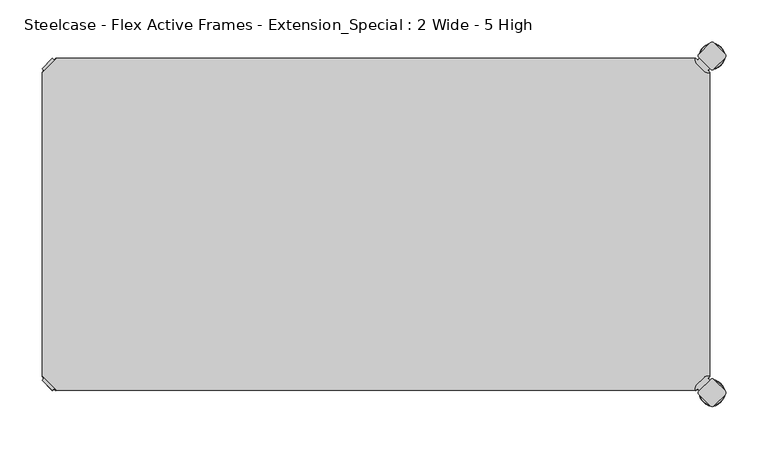
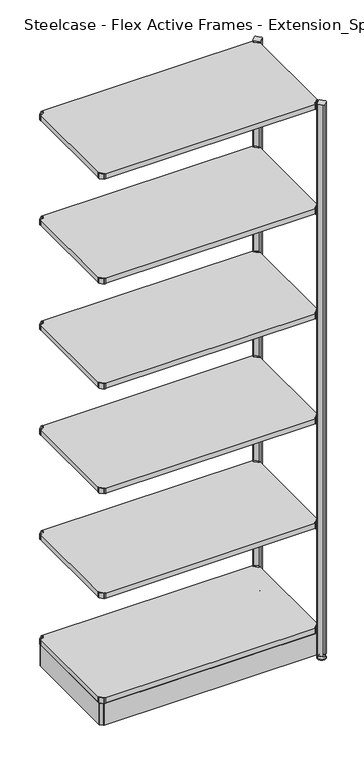
"""IFC4 building model written with IfcOpenShell, lengths in millimetres: furniture geometry, Steelcase - Flex Active Frames - Extension_Special : 2 Wide - 5 High."""

from ifc_helpers import new_model, si_unit, point, frame, frame_2d, origin, place, context, project, spatial, polyline, circle_curve, ellipse_curve, trimmed, segment, composite_curve, outline, extrude, source, transform, mapped, element, save
from ifc_brep_helpers import plane_surface, cylinder_surface, revolved_surface, advanced_brep


def steelcase_flex_active_frames_extension_special_2_wide_5_high_1e81e78f(model_context):
    return source(origin(), model_context, "Body", "SolidModel", [
        advanced_brep(
        [(795.4995166, 396.9286835, 0.0), (781.5507958, 396.9286835, 0.0), (809.4482375, 396.9286835, 0.0), (780.6038882, 396.9286835, 2.116325), (810.3951451, 396.9286835, 2.116325), (786.7561321, 396.9286835, 8.9997406), (804.2429012, 396.9286835, 8.9997406), (788.0986481, 396.9286835, 8.9997406), (802.9003852, 396.9286835, 8.9997406), (788.0986481, 396.9286835, 12.0919909), (802.9003852, 396.9286835, 12.0919909), (788.6066481, 396.9286835, 12.5999909), (802.3923852, 396.9286835, 12.5999909), (791.4801863, 396.9286835, 12.5999909), (799.518847, 396.9286835, 12.5999909), (791.4801863, 396.9286835, 22.7146261), (799.518847, 396.9286835, 22.7146261), (795.4995166, 396.9286835, 22.7146261)],
        [
            (0, 1),
            (1, 2, circle_curve(frame((795.4995166, 396.9286835, 0.0), z_axis=(0.0, 0.0, -1.0), x_axis=(1.0, 0.0, 0.0)), 13.9487209)),
            (2, 0),
            (2, 1, circle_curve(frame((795.4995166, 396.9286835, 0.0), z_axis=(0.0, 0.0, -1.0), x_axis=(1.0, 0.0, 0.0)), 13.9487209)),
            (1, 3, circle_curve(frame((781.5507958, 396.9286835, 1.27), z_axis=(0.0, 1.0, 0.0), x_axis=(-1.0, 0.0, 0.0)), 1.27)),
            (3, 4, circle_curve(frame((795.4995166, 396.9286835, 2.116325), z_axis=(0.0, 0.0, -1.0), x_axis=(1.0, 0.0, 0.0)), 14.8956285)),
            (4, 2, circle_curve(frame((809.4482375, 396.9286835, 1.27), z_axis=(0.0, 1.0, 0.0), x_axis=(1.0, 0.0, 0.0)), 1.27)),
            (4, 3, circle_curve(frame((795.4995166, 396.9286835, 2.116325), z_axis=(0.0, 0.0, -1.0), x_axis=(1.0, 0.0, 0.0)), 14.8956285)),
            (3, 5),
            (5, 6, circle_curve(frame((795.4995166, 396.9286835, 8.9997406), z_axis=(0.0, 0.0, -1.0), x_axis=(1.0, 0.0, 0.0)), 8.7433846)),
            (6, 4),
            (6, 5, circle_curve(frame((795.4995166, 396.9286835, 8.9997406), z_axis=(0.0, 0.0, -1.0), x_axis=(1.0, 0.0, 0.0)), 8.7433846)),
            (5, 7),
            (7, 8, circle_curve(frame((795.4995166, 396.9286835, 8.9997406), z_axis=(0.0, 0.0, -1.0), x_axis=(1.0, 0.0, 0.0)), 7.4008685)),
            (8, 6),
            (8, 7, circle_curve(frame((795.4995166, 396.9286835, 8.9997406), z_axis=(0.0, 0.0, -1.0), x_axis=(1.0, 0.0, 0.0)), 7.4008685)),
            (7, 9),
            (9, 10, circle_curve(frame((795.4995166, 396.9286835, 12.0919909), z_axis=(0.0, 0.0, -1.0), x_axis=(1.0, 0.0, 0.0)), 7.4008685)),
            (10, 8),
            (10, 9, circle_curve(frame((795.4995166, 396.9286835, 12.0919909), z_axis=(0.0, 0.0, -1.0), x_axis=(1.0, 0.0, 0.0)), 7.4008685)),
            (9, 11, circle_curve(frame((788.6066481, 396.9286835, 12.0919909), z_axis=(0.0, 1.0, 0.0), x_axis=(-1.0, 0.0, 0.0)), 0.508)),
            (11, 12, circle_curve(frame((795.4995166, 396.9286835, 12.5999909), z_axis=(0.0, 0.0, -1.0), x_axis=(1.0, 0.0, 0.0)), 6.8928685)),
            (12, 10, circle_curve(frame((802.3923852, 396.9286835, 12.0919909), z_axis=(0.0, 1.0, 0.0), x_axis=(1.0, 0.0, 0.0)), 0.508)),
            (12, 11, circle_curve(frame((795.4995166, 396.9286835, 12.5999909), z_axis=(0.0, 0.0, -1.0), x_axis=(1.0, 0.0, 0.0)), 6.8928685)),
            (11, 13),
            (13, 14, circle_curve(frame((795.4995166, 396.9286835, 12.5999909), z_axis=(0.0, 0.0, -1.0), x_axis=(1.0, 0.0, 0.0)), 4.0193303)),
            (14, 12),
            (14, 13, circle_curve(frame((795.4995166, 396.9286835, 12.5999909), z_axis=(0.0, 0.0, -1.0), x_axis=(1.0, 0.0, 0.0)), 4.0193303)),
            (13, 15),
            (15, 16, circle_curve(frame((795.4995166, 396.9286835, 22.7146261), z_axis=(0.0, 0.0, -1.0), x_axis=(1.0, 0.0, 0.0)), 4.0193303)),
            (16, 14),
            (16, 15, circle_curve(frame((795.4995166, 396.9286835, 22.7146261), z_axis=(0.0, 0.0, -1.0), x_axis=(1.0, 0.0, 0.0)), 4.0193303)),
            (15, 17),
            (17, 16),
        ],
        [
            plane_surface(frame((795.4995166, 396.9286835, 0.0), z_axis=(0.0, 0.0, -1.0), x_axis=(1.0, 0.0, 0.0))),
            revolved_surface(trimmed(ellipse_curve(frame((809.4482375, 396.9286835, 1.27), z_axis=(0.0, 1.0, 0.0), x_axis=(1.0, 0.0, 0.0)), 1.27, 1.27), [point((810.3951451, 396.9286835, 2.116325))], [point((809.4482375, 396.9286835, 0.0))], True, "CARTESIAN"), (795.4995166, 396.9286835, 32.0514718), (0.0, 0.0, -1.0)),
            revolved_surface(polyline([(804.2429012, 396.9286835, 8.9997406), (810.3951451, 396.9286835, 2.116325)]), (795.4995166, 396.9286835, 32.0514718), (0.0, 0.0, -1.0)),
            plane_surface(frame((795.4995166, 396.9286835, 8.9997406), z_axis=(0.0, 0.0, 1.0), x_axis=(1.0, 0.0, 0.0))),
            cylinder_surface(frame((795.4995166, 396.9286835, 32.0514718), z_axis=(0.0, 0.0, -1.0), x_axis=(1.0, 0.0, 0.0)), 7.4008685),
            revolved_surface(trimmed(ellipse_curve(frame((802.3923852, 396.9286835, 12.0919909), z_axis=(0.0, 1.0, 0.0), x_axis=(1.0, 0.0, 0.0)), 0.508, 0.508), [point((802.3923852, 396.9286835, 12.5999909))], [point((802.9003852, 396.9286835, 12.0919909))], True, "CARTESIAN"), (795.4995166, 396.9286835, 32.0514718), (0.0, 0.0, -1.0)),
            plane_surface(frame((795.4995166, 396.9286835, 12.5999909), z_axis=(0.0, 0.0, 1.0), x_axis=(1.0, 0.0, 0.0))),
            cylinder_surface(frame((795.4995166, 396.9286835, 32.0514718), z_axis=(0.0, 0.0, -1.0), x_axis=(1.0, 0.0, 0.0)), 4.0193303),
            plane_surface(frame((795.4995166, 396.9286835, 22.7146261), z_axis=(0.0, 0.0, 1.0), x_axis=(1.0, 0.0, 0.0))),
        ],
        [
            (0, [[1, 2, 3]]),
            (0, [[-3, 4, -1]]),
            (1, [[5, 6, 7, -2]]),
            (1, [[-7, 8, -5, -4]]),
            (2, [[9, 10, 11, -6]]),
            (2, [[-11, 12, -9, -8]]),
            (3, [[13, 14, 15, -10]]),
            (3, [[-15, 16, -13, -12]]),
            (4, [[17, 18, 19, -14]]),
            (4, [[-19, 20, -17, -16]]),
            (5, [[21, 22, 23, -18]]),
            (5, [[-23, 24, -21, -20]]),
            (6, [[25, 26, 27, -22]]),
            (6, [[-27, 28, -25, -24]]),
            (7, [[29, 30, 31, -26]]),
            (7, [[-31, 32, -29, -28]]),
            (8, [[33, 34, -30]]),
            (8, [[-34, -33, -32]]),
        ],
    ),
        advanced_brep(
        [(795.4995166, -2.9246323, 0.0), (809.4482375, -2.9246323, 0.0), (781.5507958, -2.9246323, 0.0), (810.3951451, -2.9246323, 2.116325), (780.6038882, -2.9246323, 2.116325), (804.2429012, -2.9246323, 8.9997406), (786.7561321, -2.9246323, 8.9997406), (802.9003852, -2.9246323, 8.9997406), (788.0986481, -2.9246323, 8.9997406), (802.9003852, -2.9246323, 12.0919909), (788.0986481, -2.9246323, 12.0919909), (802.3923852, -2.9246323, 12.5999909), (788.6066481, -2.9246323, 12.5999909), (799.518847, -2.9246323, 12.5999909), (791.4801863, -2.9246323, 12.5999909), (799.518847, -2.9246323, 22.7146261), (791.4801863, -2.9246323, 22.7146261), (795.4995166, -2.9246323, 22.7146261)],
        [
            (0, 1),
            (1, 2, circle_curve(frame((795.4995166, -2.9246323, 0.0), z_axis=(0.0, 0.0, -1.0), x_axis=(1.0, 0.0, 0.0)), 13.9487209)),
            (2, 0),
            (2, 1, circle_curve(frame((795.4995166, -2.9246323, 0.0), z_axis=(0.0, 0.0, -1.0), x_axis=(1.0, 0.0, 0.0)), 13.9487209)),
            (1, 3, circle_curve(frame((809.4482375, -2.9246323, 1.27), z_axis=(0.0, -1.0, 0.0), x_axis=(1.0, 0.0, 0.0)), 1.27)),
            (3, 4, circle_curve(frame((795.4995166, -2.9246323, 2.116325), z_axis=(0.0, 0.0, -1.0), x_axis=(1.0, 0.0, 0.0)), 14.8956285)),
            (4, 2, circle_curve(frame((781.5507958, -2.9246323, 1.27), z_axis=(0.0, -1.0, 0.0), x_axis=(-1.0, 0.0, 0.0)), 1.27)),
            (4, 3, circle_curve(frame((795.4995166, -2.9246323, 2.116325), z_axis=(0.0, 0.0, -1.0), x_axis=(1.0, 0.0, 0.0)), 14.8956285)),
            (3, 5),
            (5, 6, circle_curve(frame((795.4995166, -2.9246323, 8.9997406), z_axis=(0.0, 0.0, -1.0), x_axis=(1.0, 0.0, 0.0)), 8.7433846)),
            (6, 4),
            (6, 5, circle_curve(frame((795.4995166, -2.9246323, 8.9997406), z_axis=(0.0, 0.0, -1.0), x_axis=(1.0, 0.0, 0.0)), 8.7433846)),
            (5, 7),
            (7, 8, circle_curve(frame((795.4995166, -2.9246323, 8.9997406), z_axis=(0.0, 0.0, -1.0), x_axis=(1.0, 0.0, 0.0)), 7.4008685)),
            (8, 6),
            (8, 7, circle_curve(frame((795.4995166, -2.9246323, 8.9997406), z_axis=(0.0, 0.0, -1.0), x_axis=(1.0, 0.0, 0.0)), 7.4008685)),
            (7, 9),
            (9, 10, circle_curve(frame((795.4995166, -2.9246323, 12.0919909), z_axis=(0.0, 0.0, -1.0), x_axis=(1.0, 0.0, 0.0)), 7.4008685)),
            (10, 8),
            (10, 9, circle_curve(frame((795.4995166, -2.9246323, 12.0919909), z_axis=(0.0, 0.0, -1.0), x_axis=(1.0, 0.0, 0.0)), 7.4008685)),
            (9, 11, circle_curve(frame((802.3923852, -2.9246323, 12.0919909), z_axis=(0.0, -1.0, 0.0), x_axis=(1.0, 0.0, 0.0)), 0.508)),
            (11, 12, circle_curve(frame((795.4995166, -2.9246323, 12.5999909), z_axis=(0.0, 0.0, -1.0), x_axis=(1.0, 0.0, 0.0)), 6.8928685)),
            (12, 10, circle_curve(frame((788.6066481, -2.9246323, 12.0919909), z_axis=(0.0, -1.0, 0.0), x_axis=(-1.0, 0.0, 0.0)), 0.508)),
            (12, 11, circle_curve(frame((795.4995166, -2.9246323, 12.5999909), z_axis=(0.0, 0.0, -1.0), x_axis=(1.0, 0.0, 0.0)), 6.8928685)),
            (11, 13),
            (13, 14, circle_curve(frame((795.4995166, -2.9246323, 12.5999909), z_axis=(0.0, 0.0, -1.0), x_axis=(1.0, 0.0, 0.0)), 4.0193303)),
            (14, 12),
            (14, 13, circle_curve(frame((795.4995166, -2.9246323, 12.5999909), z_axis=(0.0, 0.0, -1.0), x_axis=(1.0, 0.0, 0.0)), 4.0193303)),
            (13, 15),
            (15, 16, circle_curve(frame((795.4995166, -2.9246323, 22.7146261), z_axis=(0.0, 0.0, -1.0), x_axis=(1.0, 0.0, 0.0)), 4.0193303)),
            (16, 14),
            (16, 15, circle_curve(frame((795.4995166, -2.9246323, 22.7146261), z_axis=(0.0, 0.0, -1.0), x_axis=(1.0, 0.0, 0.0)), 4.0193303)),
            (15, 17),
            (17, 16),
        ],
        [
            plane_surface(frame((795.4995166, -2.9246323, 0.0), z_axis=(0.0, 0.0, -1.0), x_axis=(1.0, 0.0, 0.0))),
            revolved_surface(trimmed(ellipse_curve(frame((809.4482375, -2.9246323, 1.27), z_axis=(0.0, 1.0, 0.0), x_axis=(1.0, 0.0, 0.0)), 1.27, 1.27), [point((810.3951451, -2.9246323, 2.116325))], [point((809.4482375, -2.9246323, 0.0))], True, "CARTESIAN"), (795.4995166, -2.9246323, 32.0514718), (0.0, 0.0, -1.0)),
            revolved_surface(polyline([(804.2429012, -2.9246323, 8.9997406), (810.3951451, -2.9246323, 2.116325)]), (795.4995166, -2.9246323, 32.0514718), (0.0, 0.0, -1.0)),
            plane_surface(frame((795.4995166, -2.9246323, 8.9997406), z_axis=(0.0, 0.0, 1.0), x_axis=(1.0, 0.0, 0.0))),
            cylinder_surface(frame((795.4995166, -2.9246323, 32.0514718), z_axis=(0.0, 0.0, -1.0), x_axis=(1.0, 0.0, 0.0)), 7.4008685),
            revolved_surface(trimmed(ellipse_curve(frame((802.3923852, -2.9246323, 12.0919909), z_axis=(0.0, 1.0, 0.0), x_axis=(1.0, 0.0, 0.0)), 0.508, 0.508), [point((802.3923852, -2.9246323, 12.5999909))], [point((802.9003852, -2.9246323, 12.0919909))], True, "CARTESIAN"), (795.4995166, -2.9246323, 32.0514718), (0.0, 0.0, -1.0)),
            plane_surface(frame((795.4995166, -2.9246323, 12.5999909), z_axis=(0.0, 0.0, 1.0), x_axis=(1.0, 0.0, 0.0))),
            cylinder_surface(frame((795.4995166, -2.9246323, 32.0514718), z_axis=(0.0, 0.0, -1.0), x_axis=(1.0, 0.0, 0.0)), 4.0193303),
            plane_surface(frame((795.4995166, -2.9246323, 22.7146261), z_axis=(0.0, 0.0, 1.0), x_axis=(1.0, 0.0, 0.0))),
        ],
        [
            (0, [[1, 2, 3]]),
            (0, [[-3, 4, -1]]),
            (1, [[-2, 5, 6, 7]]),
            (1, [[-4, -7, 8, -5]]),
            (2, [[-6, 9, 10, 11]]),
            (2, [[-8, -11, 12, -9]]),
            (3, [[-10, 13, 14, 15]]),
            (3, [[-12, -15, 16, -13]]),
            (4, [[-14, 17, 18, 19]]),
            (4, [[-16, -19, 20, -17]]),
            (5, [[-18, 21, 22, 23]]),
            (5, [[-20, -23, 24, -21]]),
            (6, [[-22, 25, 26, 27]]),
            (6, [[-24, -27, 28, -25]]),
            (7, [[-26, 29, 30, 31]]),
            (7, [[-28, -31, 32, -29]]),
            (8, [[-30, 33, 34]]),
            (8, [[-32, -34, -33]]),
        ],
    ),
        extrude(outline(composite_curve([segment(polyline([(778.3364357, 1.93874), (776.3664729, -0.0311996), (775.26654, -0.0189911), (775.6321123, 2.7161946)]), True, "CONTINUOUS"), segment(trimmed(circle_curve(frame_2d((781.9261436, 1.8749633)), 6.35), [point((775.6321123, 2.7161946))], [point((777.4359854, 6.3650612))], False, "CARTESIAN"), True, "CONTINUOUS"), segment(polyline([(777.4359854, 6.3650612), (786.1052784, 15.0344708)]), True, "CONTINUOUS"), segment(trimmed(circle_curve(frame_2d((790.5954366, 10.5443729)), 6.35), [point((786.1052784, 15.0344708))], [point((789.7543812, 16.8384277))], False, "CARTESIAN"), True, "CONTINUOUS"), segment(polyline([(789.7543812, 16.8384277), (792.4895198, 17.203916), (792.5017057, 16.1038431), (790.530772, 14.1329326), (792.6187028, 12.044977), (780.4244011, -0.1493247), (778.3364357, 1.93874)]), True, "CONTINUOUS")], self_intersect=False)), frame((0.0, 0.0, 2096.4822075), z_axis=(0.0, 0.0, 1.0), x_axis=(1.0, 0.0, 0.0)), (0.0, 0.0, 1.0), 20.2281258),
        extrude(outline(composite_curve([segment(polyline([(778.3364357, 392.01526), (780.4244011, 394.1033247), (792.6187028, 381.909023), (790.530772, 379.8210674), (792.5017057, 377.8501569), (792.4895198, 376.750084), (789.7543812, 377.1155723)]), True, "CONTINUOUS"), segment(trimmed(circle_curve(frame_2d((790.5954366, 383.4096271)), 6.35), [point((789.7543812, 377.1155723))], [point((786.1052784, 378.9195292))], False, "CARTESIAN"), True, "CONTINUOUS"), segment(polyline([(786.1052784, 378.9195292), (777.4359854, 387.5889388)]), True, "CONTINUOUS"), segment(trimmed(circle_curve(frame_2d((781.9261436, 392.0790367)), 6.35), [point((777.4359854, 387.5889388))], [point((775.6321123, 391.2378054))], False, "CARTESIAN"), True, "CONTINUOUS"), segment(polyline([(775.6321123, 391.2378054), (775.26654, 393.9729911), (776.3664729, 393.9851996), (778.3364357, 392.01526)]), True, "CONTINUOUS")], self_intersect=False)), frame((0.0, 0.0, 2096.4822075), z_axis=(0.0, 0.0, 1.0), x_axis=(1.0, 0.0, 0.0)), (0.0, 0.0, 1.0), 20.2281258),
        extrude(outline(polyline([(0.0003876, 376.7599914), (17.1943962, 393.954), (775.2856038, 393.954), (792.4796124, 376.7599914), (792.4796124, 17.1940086), (775.2856038, 0.0), (17.1943962, 0.0), (0.0003876, 17.1940086), (0.0003876, 376.7599914)])), frame((0.0, 0.0, 2097.4996841), z_axis=(0.0, 0.0, 1.0), x_axis=(1.0, 0.0, 0.0)), (0.0, 0.0, 1.0), 19.0000031),
        extrude(outline(composite_curve([segment(polyline([(14.1435643, 1.93874), (12.0555989, -0.1493247), (-0.1387028, 12.044977), (1.949228, 14.1329326), (-0.0217057, 16.1038431), (-0.0095198, 17.203916), (2.7256188, 16.8384277)]), True, "CONTINUOUS"), segment(trimmed(circle_curve(frame_2d((1.8845634, 10.5443729)), 6.35), [point((2.7256188, 16.8384277))], [point((6.3747216, 15.0344708))], False, "CARTESIAN"), True, "CONTINUOUS"), segment(polyline([(6.3747216, 15.0344708), (15.0440146, 6.3650612)]), True, "CONTINUOUS"), segment(trimmed(circle_curve(frame_2d((10.5538564, 1.8749633)), 6.35), [point((15.0440146, 6.3650612))], [point((16.8478877, 2.7161946))], False, "CARTESIAN"), True, "CONTINUOUS"), segment(polyline([(16.8478877, 2.7161946), (17.21346, -0.0189911), (16.1135271, -0.0311996), (14.1435643, 1.93874)]), True, "CONTINUOUS")], self_intersect=False)), frame((0.0, 0.0, 2096.4822075), z_axis=(0.0, 0.0, 1.0), x_axis=(1.0, 0.0, 0.0)), (0.0, 0.0, 1.0), 20.2281258),
        extrude(outline(composite_curve([segment(polyline([(14.1435643, 392.01526), (16.1135271, 393.9851996), (17.21346, 393.9729911), (16.8478877, 391.2378054)]), True, "CONTINUOUS"), segment(trimmed(circle_curve(frame_2d((10.5538564, 392.0790367)), 6.35), [point((16.8478877, 391.2378054))], [point((15.0440146, 387.5889388))], False, "CARTESIAN"), True, "CONTINUOUS"), segment(polyline([(15.0440146, 387.5889388), (6.3747216, 378.9195292)]), True, "CONTINUOUS"), segment(trimmed(circle_curve(frame_2d((1.8845634, 383.4096271)), 6.35), [point((6.3747216, 378.9195292))], [point((2.7256188, 377.1155723))], False, "CARTESIAN"), True, "CONTINUOUS"), segment(polyline([(2.7256188, 377.1155723), (-0.0095198, 376.750084), (-0.0217057, 377.8501569), (1.949228, 379.8210674), (-0.1387028, 381.909023), (12.0555989, 394.1033247), (14.1435643, 392.01526)]), True, "CONTINUOUS")], self_intersect=False)), frame((0.0, 0.0, 2096.4822075), z_axis=(0.0, 0.0, 1.0), x_axis=(1.0, 0.0, 0.0)), (0.0, 0.0, 1.0), 20.2281258),
        extrude(outline(composite_curve([segment(polyline([(778.3364357, 1.93874), (776.3664729, -0.0311996), (775.26654, -0.0189911), (775.6321123, 2.7161946)]), True, "CONTINUOUS"), segment(trimmed(circle_curve(frame_2d((781.9261436, 1.8749633)), 6.35), [point((775.6321123, 2.7161946))], [point((777.4359854, 6.3650612))], False, "CARTESIAN"), True, "CONTINUOUS"), segment(polyline([(777.4359854, 6.3650612), (786.1052784, 15.0344708)]), True, "CONTINUOUS"), segment(trimmed(circle_curve(frame_2d((790.5954366, 10.5443729)), 6.35), [point((786.1052784, 15.0344708))], [point((789.7543812, 16.8384277))], False, "CARTESIAN"), True, "CONTINUOUS"), segment(polyline([(789.7543812, 16.8384277), (792.4895198, 17.203916), (792.5017057, 16.1038431), (790.530772, 14.1329326), (792.6187028, 12.044977), (780.4244011, -0.1493247), (778.3364357, 1.93874)]), True, "CONTINUOUS")], self_intersect=False)), frame((0.0, 0.0, 1696.4822044), z_axis=(0.0, 0.0, 1.0), x_axis=(1.0, 0.0, 0.0)), (0.0, 0.0, 1.0), 20.2281258),
        extrude(outline(composite_curve([segment(polyline([(778.3364357, 392.01526), (780.4244011, 394.1033247), (792.6187028, 381.909023), (790.530772, 379.8210674), (792.5017057, 377.8501569), (792.4895198, 376.750084), (789.7543812, 377.1155723)]), True, "CONTINUOUS"), segment(trimmed(circle_curve(frame_2d((790.5954366, 383.4096271)), 6.35), [point((789.7543812, 377.1155723))], [point((786.1052784, 378.9195292))], False, "CARTESIAN"), True, "CONTINUOUS"), segment(polyline([(786.1052784, 378.9195292), (777.4359854, 387.5889388)]), True, "CONTINUOUS"), segment(trimmed(circle_curve(frame_2d((781.9261436, 392.0790367)), 6.35), [point((777.4359854, 387.5889388))], [point((775.6321123, 391.2378054))], False, "CARTESIAN"), True, "CONTINUOUS"), segment(polyline([(775.6321123, 391.2378054), (775.26654, 393.9729911), (776.3664729, 393.9851996), (778.3364357, 392.01526)]), True, "CONTINUOUS")], self_intersect=False)), frame((0.0, 0.0, 1696.4822044), z_axis=(0.0, 0.0, 1.0), x_axis=(1.0, 0.0, 0.0)), (0.0, 0.0, 1.0), 20.2281258),
        extrude(outline(polyline([(0.0003876, 376.7599914), (17.1943962, 393.954), (775.2856038, 393.954), (792.4796124, 376.7599914), (792.4796124, 17.1940086), (775.2856038, 0.0), (17.1943962, 0.0), (0.0003876, 17.1940086), (0.0003876, 376.7599914)])), frame((0.0, 0.0, 1697.4996811), z_axis=(0.0, 0.0, 1.0), x_axis=(1.0, 0.0, 0.0)), (0.0, 0.0, 1.0), 19.0000031),
        extrude(outline(composite_curve([segment(polyline([(14.1435643, 1.93874), (12.0555989, -0.1493247), (-0.1387028, 12.044977), (1.949228, 14.1329326), (-0.0217057, 16.1038431), (-0.0095198, 17.203916), (2.7256188, 16.8384277)]), True, "CONTINUOUS"), segment(trimmed(circle_curve(frame_2d((1.8845634, 10.5443729)), 6.35), [point((2.7256188, 16.8384277))], [point((6.3747216, 15.0344708))], False, "CARTESIAN"), True, "CONTINUOUS"), segment(polyline([(6.3747216, 15.0344708), (15.0440146, 6.3650612)]), True, "CONTINUOUS"), segment(trimmed(circle_curve(frame_2d((10.5538564, 1.8749633)), 6.35), [point((15.0440146, 6.3650612))], [point((16.8478877, 2.7161946))], False, "CARTESIAN"), True, "CONTINUOUS"), segment(polyline([(16.8478877, 2.7161946), (17.21346, -0.0189911), (16.1135271, -0.0311996), (14.1435643, 1.93874)]), True, "CONTINUOUS")], self_intersect=False)), frame((0.0, 0.0, 1696.4822044), z_axis=(0.0, 0.0, 1.0), x_axis=(1.0, 0.0, 0.0)), (0.0, 0.0, 1.0), 20.2281258),
        extrude(outline(composite_curve([segment(polyline([(14.1435643, 392.01526), (16.1135271, 393.9851996), (17.21346, 393.9729911), (16.8478877, 391.2378054)]), True, "CONTINUOUS"), segment(trimmed(circle_curve(frame_2d((10.5538564, 392.0790367)), 6.35), [point((16.8478877, 391.2378054))], [point((15.0440146, 387.5889388))], False, "CARTESIAN"), True, "CONTINUOUS"), segment(polyline([(15.0440146, 387.5889388), (6.3747216, 378.9195292)]), True, "CONTINUOUS"), segment(trimmed(circle_curve(frame_2d((1.8845634, 383.4096271)), 6.35), [point((6.3747216, 378.9195292))], [point((2.7256188, 377.1155723))], False, "CARTESIAN"), True, "CONTINUOUS"), segment(polyline([(2.7256188, 377.1155723), (-0.0095198, 376.750084), (-0.0217057, 377.8501569), (1.949228, 379.8210674), (-0.1387028, 381.909023), (12.0555989, 394.1033247), (14.1435643, 392.01526)]), True, "CONTINUOUS")], self_intersect=False)), frame((0.0, 0.0, 1696.4822044), z_axis=(0.0, 0.0, 1.0), x_axis=(1.0, 0.0, 0.0)), (0.0, 0.0, 1.0), 20.2281258),
        extrude(outline(composite_curve([segment(polyline([(778.3364357, 1.93874), (776.3664729, -0.0311996), (775.26654, -0.0189911), (775.6321123, 2.7161946)]), True, "CONTINUOUS"), segment(trimmed(circle_curve(frame_2d((781.9261436, 1.8749633)), 6.35), [point((775.6321123, 2.7161946))], [point((777.4359854, 6.3650612))], False, "CARTESIAN"), True, "CONTINUOUS"), segment(polyline([(777.4359854, 6.3650612), (786.1052784, 15.0344708)]), True, "CONTINUOUS"), segment(trimmed(circle_curve(frame_2d((790.5954366, 10.5443729)), 6.35), [point((786.1052784, 15.0344708))], [point((789.7543812, 16.8384277))], False, "CARTESIAN"), True, "CONTINUOUS"), segment(polyline([(789.7543812, 16.8384277), (792.4895198, 17.203916), (792.5017057, 16.1038431), (790.530772, 14.1329326), (792.6187028, 12.044977), (780.4244011, -0.1493247), (778.3364357, 1.93874)]), True, "CONTINUOUS")], self_intersect=False)), frame((0.0, 0.0, 1296.4822014), z_axis=(0.0, 0.0, 1.0), x_axis=(1.0, 0.0, 0.0)), (0.0, 0.0, 1.0), 20.2281258),
        extrude(outline(composite_curve([segment(polyline([(778.3364357, 392.01526), (780.4244011, 394.1033247), (792.6187028, 381.909023), (790.530772, 379.8210674), (792.5017057, 377.8501569), (792.4895198, 376.750084), (789.7543812, 377.1155723)]), True, "CONTINUOUS"), segment(trimmed(circle_curve(frame_2d((790.5954366, 383.4096271)), 6.35), [point((789.7543812, 377.1155723))], [point((786.1052784, 378.9195292))], False, "CARTESIAN"), True, "CONTINUOUS"), segment(polyline([(786.1052784, 378.9195292), (777.4359854, 387.5889388)]), True, "CONTINUOUS"), segment(trimmed(circle_curve(frame_2d((781.9261436, 392.0790367)), 6.35), [point((777.4359854, 387.5889388))], [point((775.6321123, 391.2378054))], False, "CARTESIAN"), True, "CONTINUOUS"), segment(polyline([(775.6321123, 391.2378054), (775.26654, 393.9729911), (776.3664729, 393.9851996), (778.3364357, 392.01526)]), True, "CONTINUOUS")], self_intersect=False)), frame((0.0, 0.0, 1296.4822014), z_axis=(0.0, 0.0, 1.0), x_axis=(1.0, 0.0, 0.0)), (0.0, 0.0, 1.0), 20.2281258),
        extrude(outline(polyline([(0.0003876, 376.7599914), (17.1943962, 393.954), (775.2856038, 393.954), (792.4796124, 376.7599914), (792.4796124, 17.1940086), (775.2856038, 0.0), (17.1943962, 0.0), (0.0003876, 17.1940086), (0.0003876, 376.7599914)])), frame((0.0, 0.0, 1297.499678), z_axis=(0.0, 0.0, 1.0), x_axis=(1.0, 0.0, 0.0)), (0.0, 0.0, 1.0), 19.0000031),
        extrude(outline(composite_curve([segment(polyline([(14.1435643, 1.93874), (12.0555989, -0.1493247), (-0.1387028, 12.044977), (1.949228, 14.1329326), (-0.0217057, 16.1038431), (-0.0095198, 17.203916), (2.7256188, 16.8384277)]), True, "CONTINUOUS"), segment(trimmed(circle_curve(frame_2d((1.8845634, 10.5443729)), 6.35), [point((2.7256188, 16.8384277))], [point((6.3747216, 15.0344708))], False, "CARTESIAN"), True, "CONTINUOUS"), segment(polyline([(6.3747216, 15.0344708), (15.0440146, 6.3650612)]), True, "CONTINUOUS"), segment(trimmed(circle_curve(frame_2d((10.5538564, 1.8749633)), 6.35), [point((15.0440146, 6.3650612))], [point((16.8478877, 2.7161946))], False, "CARTESIAN"), True, "CONTINUOUS"), segment(polyline([(16.8478877, 2.7161946), (17.21346, -0.0189911), (16.1135271, -0.0311996), (14.1435643, 1.93874)]), True, "CONTINUOUS")], self_intersect=False)), frame((0.0, 0.0, 1296.4822014), z_axis=(0.0, 0.0, 1.0), x_axis=(1.0, 0.0, 0.0)), (0.0, 0.0, 1.0), 20.2281258),
        extrude(outline(composite_curve([segment(polyline([(14.1435643, 392.01526), (16.1135271, 393.9851996), (17.21346, 393.9729911), (16.8478877, 391.2378054)]), True, "CONTINUOUS"), segment(trimmed(circle_curve(frame_2d((10.5538564, 392.0790367)), 6.35), [point((16.8478877, 391.2378054))], [point((15.0440146, 387.5889388))], False, "CARTESIAN"), True, "CONTINUOUS"), segment(polyline([(15.0440146, 387.5889388), (6.3747216, 378.9195292)]), True, "CONTINUOUS"), segment(trimmed(circle_curve(frame_2d((1.8845634, 383.4096271)), 6.35), [point((6.3747216, 378.9195292))], [point((2.7256188, 377.1155723))], False, "CARTESIAN"), True, "CONTINUOUS"), segment(polyline([(2.7256188, 377.1155723), (-0.0095198, 376.750084), (-0.0217057, 377.8501569), (1.949228, 379.8210674), (-0.1387028, 381.909023), (12.0555989, 394.1033247), (14.1435643, 392.01526)]), True, "CONTINUOUS")], self_intersect=False)), frame((0.0, 0.0, 1296.4822014), z_axis=(0.0, 0.0, 1.0), x_axis=(1.0, 0.0, 0.0)), (0.0, 0.0, 1.0), 20.2281258),
        extrude(outline(composite_curve([segment(polyline([(778.3364357, 1.93874), (776.3664729, -0.0311996), (775.26654, -0.0189911), (775.6321123, 2.7161946)]), True, "CONTINUOUS"), segment(trimmed(circle_curve(frame_2d((781.9261436, 1.8749633)), 6.35), [point((775.6321123, 2.7161946))], [point((777.4359854, 6.3650612))], False, "CARTESIAN"), True, "CONTINUOUS"), segment(polyline([(777.4359854, 6.3650612), (786.1052784, 15.0344708)]), True, "CONTINUOUS"), segment(trimmed(circle_curve(frame_2d((790.5954366, 10.5443729)), 6.35), [point((786.1052784, 15.0344708))], [point((789.7543812, 16.8384277))], False, "CARTESIAN"), True, "CONTINUOUS"), segment(polyline([(789.7543812, 16.8384277), (792.4895198, 17.203916), (792.5017057, 16.1038431), (790.530772, 14.1329326), (792.6187028, 12.044977), (780.4244011, -0.1493247), (778.3364357, 1.93874)]), True, "CONTINUOUS")], self_intersect=False)), frame((0.0, 0.0, 896.4822952), z_axis=(0.0, 0.0, 1.0), x_axis=(1.0, 0.0, 0.0)), (0.0, 0.0, 1.0), 20.2281258),
        extrude(outline(composite_curve([segment(polyline([(778.3364357, 392.01526), (780.4244011, 394.1033247), (792.6187028, 381.909023), (790.530772, 379.8210674), (792.5017057, 377.8501569), (792.4895198, 376.750084), (789.7543812, 377.1155723)]), True, "CONTINUOUS"), segment(trimmed(circle_curve(frame_2d((790.5954366, 383.4096271)), 6.35), [point((789.7543812, 377.1155723))], [point((786.1052784, 378.9195292))], False, "CARTESIAN"), True, "CONTINUOUS"), segment(polyline([(786.1052784, 378.9195292), (777.4359854, 387.5889388)]), True, "CONTINUOUS"), segment(trimmed(circle_curve(frame_2d((781.9261436, 392.0790367)), 6.35), [point((777.4359854, 387.5889388))], [point((775.6321123, 391.2378054))], False, "CARTESIAN"), True, "CONTINUOUS"), segment(polyline([(775.6321123, 391.2378054), (775.26654, 393.9729911), (776.3664729, 393.9851996), (778.3364357, 392.01526)]), True, "CONTINUOUS")], self_intersect=False)), frame((0.0, 0.0, 896.4822952), z_axis=(0.0, 0.0, 1.0), x_axis=(1.0, 0.0, 0.0)), (0.0, 0.0, 1.0), 20.2281258),
        extrude(outline(composite_curve([segment(polyline([(778.3364357, 1.93874), (776.3664729, -0.0311996), (775.26654, -0.0189911), (775.6321123, 2.7161946)]), True, "CONTINUOUS"), segment(trimmed(circle_curve(frame_2d((781.9261436, 1.8749633)), 6.35), [point((775.6321123, 2.7161946))], [point((777.4359854, 6.3650612))], False, "CARTESIAN"), True, "CONTINUOUS"), segment(polyline([(777.4359854, 6.3650612), (786.1052784, 15.0344708)]), True, "CONTINUOUS"), segment(trimmed(circle_curve(frame_2d((790.5954366, 10.5443729)), 6.35), [point((786.1052784, 15.0344708))], [point((789.7543812, 16.8384277))], False, "CARTESIAN"), True, "CONTINUOUS"), segment(polyline([(789.7543812, 16.8384277), (792.4895198, 17.203916), (792.5017057, 16.1038431), (790.530772, 14.1329326), (792.6187028, 12.044977), (780.4244011, -0.1493247), (778.3364357, 1.93874)]), True, "CONTINUOUS")], self_intersect=False)), frame((0.0, 0.0, 496.4821468), z_axis=(0.0, 0.0, 1.0), x_axis=(1.0, 0.0, 0.0)), (0.0, 0.0, 1.0), 20.2281258),
        extrude(outline(composite_curve([segment(polyline([(778.3364357, 392.01526), (780.4244011, 394.1033247), (792.6187028, 381.909023), (790.530772, 379.8210674), (792.5017057, 377.8501569), (792.4895198, 376.750084), (789.7543812, 377.1155723)]), True, "CONTINUOUS"), segment(trimmed(circle_curve(frame_2d((790.5954366, 383.4096271)), 6.35), [point((789.7543812, 377.1155723))], [point((786.1052784, 378.9195292))], False, "CARTESIAN"), True, "CONTINUOUS"), segment(polyline([(786.1052784, 378.9195292), (777.4359854, 387.5889388)]), True, "CONTINUOUS"), segment(trimmed(circle_curve(frame_2d((781.9261436, 392.0790367)), 6.35), [point((777.4359854, 387.5889388))], [point((775.6321123, 391.2378054))], False, "CARTESIAN"), True, "CONTINUOUS"), segment(polyline([(775.6321123, 391.2378054), (775.26654, 393.9729911), (776.3664729, 393.9851996), (778.3364357, 392.01526)]), True, "CONTINUOUS")], self_intersect=False)), frame((0.0, 0.0, 496.4821468), z_axis=(0.0, 0.0, 1.0), x_axis=(1.0, 0.0, 0.0)), (0.0, 0.0, 1.0), 20.2281258),
        extrude(outline(composite_curve([segment(polyline([(778.3364357, 1.93874), (776.3664729, -0.0311996), (775.26654, -0.0189911), (775.6321123, 2.7161946)]), True, "CONTINUOUS"), segment(trimmed(circle_curve(frame_2d((781.9261436, 1.8749633)), 6.35), [point((775.6321123, 2.7161946))], [point((777.4359854, 6.3650612))], False, "CARTESIAN"), True, "CONTINUOUS"), segment(polyline([(777.4359854, 6.3650612), (786.1052784, 15.0344708)]), True, "CONTINUOUS"), segment(trimmed(circle_curve(frame_2d((790.5954366, 10.5443729)), 6.35), [point((786.1052784, 15.0344708))], [point((789.7543812, 16.8384277))], False, "CARTESIAN"), True, "CONTINUOUS"), segment(polyline([(789.7543812, 16.8384277), (792.4895198, 17.203916), (792.5017057, 16.1038431), (790.530772, 14.1329326), (792.6187028, 12.044977), (780.4244011, -0.1493247), (778.3364357, 1.93874)]), True, "CONTINUOUS")], self_intersect=False)), frame((0.0, 0.0, 96.4824829), z_axis=(0.0, 0.0, 1.0), x_axis=(1.0, 0.0, 0.0)), (0.0, 0.0, 1.0), 20.2281258),
        extrude(outline(composite_curve([segment(polyline([(778.3364357, 392.01526), (780.4244011, 394.1033247), (792.6187028, 381.909023), (790.530772, 379.8210674), (792.5017057, 377.8501569), (792.4895198, 376.750084), (789.7543812, 377.1155723)]), True, "CONTINUOUS"), segment(trimmed(circle_curve(frame_2d((790.5954366, 383.4096271)), 6.35), [point((789.7543812, 377.1155723))], [point((786.1052784, 378.9195292))], False, "CARTESIAN"), True, "CONTINUOUS"), segment(polyline([(786.1052784, 378.9195292), (777.4359854, 387.5889388)]), True, "CONTINUOUS"), segment(trimmed(circle_curve(frame_2d((781.9261436, 392.0790367)), 6.35), [point((777.4359854, 387.5889388))], [point((775.6321123, 391.2378054))], False, "CARTESIAN"), True, "CONTINUOUS"), segment(polyline([(775.6321123, 391.2378054), (775.26654, 393.9729911), (776.3664729, 393.9851996), (778.3364357, 392.01526)]), True, "CONTINUOUS")], self_intersect=False)), frame((0.0, 0.0, 96.4824829), z_axis=(0.0, 0.0, 1.0), x_axis=(1.0, 0.0, 0.0)), (0.0, 0.0, 1.0), 20.2281258),
        extrude(outline(composite_curve([segment(polyline([(811.0090767, -5.1536029), (797.6465297, -18.5163124)]), True, "CONTINUOUS"), segment(trimmed(circle_curve(frame_2d((795.4912551, -16.3610641)), 3.048), [point((797.6465297, -18.5163124))], [point((793.3359936, -18.5163256))], False, "CARTESIAN"), True, "CONTINUOUS"), segment(polyline([(793.3359936, -18.5163256), (779.9732965, -5.1536284)]), True, "CONTINUOUS"), segment(trimmed(circle_curve(frame_2d((782.128558, -2.998367)), 3.048), [point((779.9732965, -5.1536284))], [point((779.9732856, -0.8431164))], False, "CARTESIAN"), True, "CONTINUOUS"), segment(polyline([(779.9732856, -0.8431164), (793.3357649, 12.5194983)]), True, "CONTINUOUS"), segment(trimmed(circle_curve(frame_2d((795.4910373, 10.3642478)), 3.048), [point((793.3357649, 12.5194983))], [point((797.6462856, 12.5195224))], False, "CARTESIAN"), True, "CONTINUOUS"), segment(polyline([(797.6462856, 12.5195224), (811.0090505, -0.8430799)]), True, "CONTINUOUS"), segment(trimmed(circle_curve(frame_2d((808.8538021, -2.9983545)), 3.048), [point((811.0090505, -0.8430799))], [point((811.0090767, -5.1536029))], False, "CARTESIAN"), True, "CONTINUOUS")], self_intersect=False)), frame((0.0, 0.0, 12.5999909), z_axis=(0.0, 0.0, 1.0), x_axis=(1.0, 0.0, 0.0)), (0.0, 0.0, 1.0), 2103.9820091),
        extrude(outline(composite_curve([segment(trimmed(circle_curve(frame_2d((808.8538021, 396.9523545)), 3.048), [point((811.0090767, 399.1076029))], [point((811.0090505, 394.7970799))], False, "CARTESIAN"), True, "CONTINUOUS"), segment(polyline([(811.0090505, 394.7970799), (797.6462856, 381.4344776)]), True, "CONTINUOUS"), segment(trimmed(circle_curve(frame_2d((795.4910373, 383.5897522)), 3.048), [point((797.6462856, 381.4344776))], [point((793.3357649, 381.4345017))], False, "CARTESIAN"), True, "CONTINUOUS"), segment(polyline([(793.3357649, 381.4345017), (779.9732856, 394.7971164)]), True, "CONTINUOUS"), segment(trimmed(circle_curve(frame_2d((782.128558, 396.952367)), 3.048), [point((779.9732856, 394.7971164))], [point((779.9732965, 399.1076284))], False, "CARTESIAN"), True, "CONTINUOUS"), segment(polyline([(779.9732965, 399.1076284), (793.3359936, 412.4703256)]), True, "CONTINUOUS"), segment(trimmed(circle_curve(frame_2d((795.4912551, 410.3150641)), 3.048), [point((793.3359936, 412.4703256))], [point((797.6465297, 412.4703124))], False, "CARTESIAN"), True, "CONTINUOUS"), segment(polyline([(797.6465297, 412.4703124), (811.0090767, 399.1076029)]), True, "CONTINUOUS")], self_intersect=False)), frame((0.0, 0.0, 12.5999909), z_axis=(0.0, 0.0, 1.0), x_axis=(1.0, 0.0, 0.0)), (0.0, 0.0, 1.0), 2103.9820091),
        extrude(outline(polyline([(0.0003876, 376.7599914), (17.1943962, 393.954), (775.2856038, 393.954), (792.4796124, 376.7599914), (792.4796124, 17.1940086), (775.2856038, 0.0), (17.1943962, 0.0), (0.0003876, 17.1940086), (0.0003876, 376.7599914)])), frame((0.0, 0.0, 97.4999596), z_axis=(0.0, 0.0, 1.0), x_axis=(1.0, 0.0, 0.0)), (0.0, 0.0, 1.0), 19.0000031),
        extrude(outline(composite_curve([segment(polyline([(14.1435643, 1.93874), (12.0555989, -0.1493247), (-0.1387028, 12.044977), (1.949228, 14.1329326), (-0.0217057, 16.1038431), (-0.0095198, 17.203916), (2.7256188, 16.8384277)]), True, "CONTINUOUS"), segment(trimmed(circle_curve(frame_2d((1.8845634, 10.5443729)), 6.35), [point((2.7256188, 16.8384277))], [point((6.3747216, 15.0344708))], False, "CARTESIAN"), True, "CONTINUOUS"), segment(polyline([(6.3747216, 15.0344708), (15.0440146, 6.3650612)]), True, "CONTINUOUS"), segment(trimmed(circle_curve(frame_2d((10.5538564, 1.8749633)), 6.35), [point((15.0440146, 6.3650612))], [point((16.8478877, 2.7161946))], False, "CARTESIAN"), True, "CONTINUOUS"), segment(polyline([(16.8478877, 2.7161946), (17.21346, -0.0189911), (16.1135271, -0.0311996), (14.1435643, 1.93874)]), True, "CONTINUOUS")], self_intersect=False)), frame((0.0, 0.0, 96.4824829), z_axis=(0.0, 0.0, 1.0), x_axis=(1.0, 0.0, 0.0)), (0.0, 0.0, 1.0), 20.2281258),
        extrude(outline(composite_curve([segment(polyline([(14.1435643, 392.01526), (16.1135271, 393.9851996), (17.21346, 393.9729911), (16.8478877, 391.2378054)]), True, "CONTINUOUS"), segment(trimmed(circle_curve(frame_2d((10.5538564, 392.0790367)), 6.35), [point((16.8478877, 391.2378054))], [point((15.0440146, 387.5889388))], False, "CARTESIAN"), True, "CONTINUOUS"), segment(polyline([(15.0440146, 387.5889388), (6.3747216, 378.9195292)]), True, "CONTINUOUS"), segment(trimmed(circle_curve(frame_2d((1.8845634, 383.4096271)), 6.35), [point((6.3747216, 378.9195292))], [point((2.7256188, 377.1155723))], False, "CARTESIAN"), True, "CONTINUOUS"), segment(polyline([(2.7256188, 377.1155723), (-0.0095198, 376.750084), (-0.0217057, 377.8501569), (1.949228, 379.8210674), (-0.1387028, 381.909023), (12.0555989, 394.1033247), (14.1435643, 392.01526)]), True, "CONTINUOUS")], self_intersect=False)), frame((0.0, 0.0, 96.4824829), z_axis=(0.0, 0.0, 1.0), x_axis=(1.0, 0.0, 0.0)), (0.0, 0.0, 1.0), 20.2281258),
        extrude(outline(polyline([(0.0003876, 376.7599914), (17.1943962, 393.954), (775.2856038, 393.954), (792.4796124, 376.7599914), (792.4796124, 17.1940086), (775.2856038, 0.0), (17.1943962, 0.0), (0.0003876, 17.1940086), (0.0003876, 376.7599914)])), frame((0.0, 0.0, 497.4996235), z_axis=(0.0, 0.0, 1.0), x_axis=(1.0, 0.0, 0.0)), (0.0, 0.0, 1.0), 19.0000031),
        extrude(outline(composite_curve([segment(polyline([(14.1435643, 1.93874), (12.0555989, -0.1493247), (-0.1387028, 12.044977), (1.949228, 14.1329326), (-0.0217057, 16.1038431), (-0.0095198, 17.203916), (2.7256188, 16.8384277)]), True, "CONTINUOUS"), segment(trimmed(circle_curve(frame_2d((1.8845634, 10.5443729)), 6.35), [point((2.7256188, 16.8384277))], [point((6.3747216, 15.0344708))], False, "CARTESIAN"), True, "CONTINUOUS"), segment(polyline([(6.3747216, 15.0344708), (15.0440146, 6.3650612)]), True, "CONTINUOUS"), segment(trimmed(circle_curve(frame_2d((10.5538564, 1.8749633)), 6.35), [point((15.0440146, 6.3650612))], [point((16.8478877, 2.7161946))], False, "CARTESIAN"), True, "CONTINUOUS"), segment(polyline([(16.8478877, 2.7161946), (17.21346, -0.0189911), (16.1135271, -0.0311996), (14.1435643, 1.93874)]), True, "CONTINUOUS")], self_intersect=False)), frame((0.0, 0.0, 496.4821468), z_axis=(0.0, 0.0, 1.0), x_axis=(1.0, 0.0, 0.0)), (0.0, 0.0, 1.0), 20.2281258),
        extrude(outline(composite_curve([segment(polyline([(14.1435643, 392.01526), (16.1135271, 393.9851996), (17.21346, 393.9729911), (16.8478877, 391.2378054)]), True, "CONTINUOUS"), segment(trimmed(circle_curve(frame_2d((10.5538564, 392.0790367)), 6.35), [point((16.8478877, 391.2378054))], [point((15.0440146, 387.5889388))], False, "CARTESIAN"), True, "CONTINUOUS"), segment(polyline([(15.0440146, 387.5889388), (6.3747216, 378.9195292)]), True, "CONTINUOUS"), segment(trimmed(circle_curve(frame_2d((1.8845634, 383.4096271)), 6.35), [point((6.3747216, 378.9195292))], [point((2.7256188, 377.1155723))], False, "CARTESIAN"), True, "CONTINUOUS"), segment(polyline([(2.7256188, 377.1155723), (-0.0095198, 376.750084), (-0.0217057, 377.8501569), (1.949228, 379.8210674), (-0.1387028, 381.909023), (12.0555989, 394.1033247), (14.1435643, 392.01526)]), True, "CONTINUOUS")], self_intersect=False)), frame((0.0, 0.0, 496.4821468), z_axis=(0.0, 0.0, 1.0), x_axis=(1.0, 0.0, 0.0)), (0.0, 0.0, 1.0), 20.2281258),
        extrude(outline(polyline([(0.0003876, 376.7599914), (17.1943962, 393.954), (775.2856038, 393.954), (792.4796124, 376.7599914), (792.4796124, 17.1940086), (775.2856038, 0.0), (17.1943962, 0.0), (0.0003876, 17.1940086), (0.0003876, 376.7599914)])), frame((0.0, 0.0, 897.4997719), z_axis=(0.0, 0.0, 1.0), x_axis=(1.0, 0.0, 0.0)), (0.0, 0.0, 1.0), 19.0000031),
        extrude(outline(composite_curve([segment(polyline([(14.1435643, 1.93874), (12.0555989, -0.1493247), (-0.1387028, 12.044977), (1.949228, 14.1329326), (-0.0217057, 16.1038431), (-0.0095198, 17.203916), (2.7256188, 16.8384277)]), True, "CONTINUOUS"), segment(trimmed(circle_curve(frame_2d((1.8845634, 10.5443729)), 6.35), [point((2.7256188, 16.8384277))], [point((6.3747216, 15.0344708))], False, "CARTESIAN"), True, "CONTINUOUS"), segment(polyline([(6.3747216, 15.0344708), (15.0440146, 6.3650612)]), True, "CONTINUOUS"), segment(trimmed(circle_curve(frame_2d((10.5538564, 1.8749633)), 6.35), [point((15.0440146, 6.3650612))], [point((16.8478877, 2.7161946))], False, "CARTESIAN"), True, "CONTINUOUS"), segment(polyline([(16.8478877, 2.7161946), (17.21346, -0.0189911), (16.1135271, -0.0311996), (14.1435643, 1.93874)]), True, "CONTINUOUS")], self_intersect=False)), frame((0.0, 0.0, 896.4822952), z_axis=(0.0, 0.0, 1.0), x_axis=(1.0, 0.0, 0.0)), (0.0, 0.0, 1.0), 20.2281258),
        extrude(outline(composite_curve([segment(polyline([(14.1435643, 392.01526), (16.1135271, 393.9851996), (17.21346, 393.9729911), (16.8478877, 391.2378054)]), True, "CONTINUOUS"), segment(trimmed(circle_curve(frame_2d((10.5538564, 392.0790367)), 6.35), [point((16.8478877, 391.2378054))], [point((15.0440146, 387.5889388))], False, "CARTESIAN"), True, "CONTINUOUS"), segment(polyline([(15.0440146, 387.5889388), (6.3747216, 378.9195292)]), True, "CONTINUOUS"), segment(trimmed(circle_curve(frame_2d((1.8845634, 383.4096271)), 6.35), [point((6.3747216, 378.9195292))], [point((2.7256188, 377.1155723))], False, "CARTESIAN"), True, "CONTINUOUS"), segment(polyline([(2.7256188, 377.1155723), (-0.0095198, 376.750084), (-0.0217057, 377.8501569), (1.949228, 379.8210674), (-0.1387028, 381.909023), (12.0555989, 394.1033247), (14.1435643, 392.01526)]), True, "CONTINUOUS")], self_intersect=False)), frame((0.0, 0.0, 896.4822952), z_axis=(0.0, 0.0, 1.0), x_axis=(1.0, 0.0, 0.0)), (0.0, 0.0, 1.0), 20.2281258),
        extrude(outline(composite_curve([segment(trimmed(circle_curve(frame_2d((12.1559074, 3.5418273)), 2.54), [point((12.155908, 1.0018273))], [point((10.3598561, 1.7457761))], False, "CARTESIAN"), True, "CONTINUOUS"), segment(polyline([(10.3598561, 1.7457761), (1.7515161, 10.3541161)]), True, "CONTINUOUS"), segment(trimmed(circle_curve(frame_2d((3.5475673, 12.1501673)), 2.54), [point((1.7515161, 10.3541161))], [point((1.0075673, 12.1501687))], False, "CARTESIAN"), True, "CONTINUOUS"), segment(polyline([(1.0075673, 12.1501687), (1.0077651, 381.8355295)]), True, "CONTINUOUS"), segment(trimmed(circle_curve(frame_2d((3.5475673, 381.8038327)), 2.54), [point((1.0077651, 381.8355295))], [point((1.7515161, 383.5998839))], False, "CARTESIAN"), True, "CONTINUOUS"), segment(polyline([(1.7515161, 383.5998839), (10.3598561, 392.2082239)]), True, "CONTINUOUS"), segment(trimmed(circle_curve(frame_2d((12.1559074, 390.4121727)), 2.54), [point((10.3598561, 392.2082239))], [point((12.155908, 392.9521727))], False, "CARTESIAN"), True, "CONTINUOUS"), segment(polyline([(12.155908, 392.9521727), (780.3465262, 392.9520736)]), True, "CONTINUOUS"), segment(trimmed(circle_curve(frame_2d((780.3240926, 390.4121727)), 2.54), [point((780.3465262, 392.9520736))], [point((782.1201439, 392.2082239))], False, "CARTESIAN"), True, "CONTINUOUS"), segment(polyline([(782.1201439, 392.2082239), (790.7284839, 383.5998839)]), True, "CONTINUOUS"), segment(trimmed(circle_curve(frame_2d((788.9324327, 381.8038327)), 2.54), [point((790.7284839, 383.5998839))], [point((791.4722349, 381.8355295))], False, "CARTESIAN"), True, "CONTINUOUS"), segment(polyline([(791.4722349, 381.8355295), (791.4724327, 12.1501687)]), True, "CONTINUOUS"), segment(trimmed(circle_curve(frame_2d((788.9324327, 12.1501673)), 2.54), [point((791.4724327, 12.1501687))], [point((790.7284839, 10.3541161))], False, "CARTESIAN"), True, "CONTINUOUS"), segment(polyline([(790.7284839, 10.3541161), (782.1201439, 1.7457761)]), True, "CONTINUOUS"), segment(trimmed(circle_curve(frame_2d((780.3240926, 3.5418273)), 2.54), [point((782.1201439, 1.7457761))], [point((780.3465262, 1.0019264))], False, "CARTESIAN"), True, "CONTINUOUS"), segment(polyline([(780.3465262, 1.0019264), (12.155908, 1.0018273)]), True, "CONTINUOUS")], self_intersect=False)), frame((0.0, 0.0, 12.5999909), z_axis=(0.0, 0.0, 1.0), x_axis=(1.0, 0.0, 0.0)), (0.0, 0.0, 1.0), 82.39977),
    ])


if __name__ == "__main__":
    model = new_model("IFC4")
    model_context = context("Model", 3, world=origin())
    ifc_project = project(units=[si_unit("LENGTHUNIT", "METRE", prefix="MILLI")], contexts=[model_context])
    site = spatial("IfcSite", under=ifc_project)
    building = spatial("IfcBuilding", under=site)
    placement = place(None, origin())
    steelcase_flex_active_frames_extension_special_2_wide_5_high_shape = steelcase_flex_active_frames_extension_special_2_wide_5_high_1e81e78f(model_context)
    element("IfcFurniture", 1, ObjectType="Steelcase - Flex Active Frames - Extension_Special : 2 Wide - 5 High", at=placement, inside=building, context=model_context, shape_type="MappedRepresentation", body=[
        mapped(steelcase_flex_active_frames_extension_special_2_wide_5_high_shape, transform((0.0, 0.0, 0.0), x_axis=(1.0, 0.0, 0.0), y_axis=(0.0, 1.0, 0.0), z_axis=(0.0, 0.0, 1.0))),
    ])
    save(model, "model.ifc")
